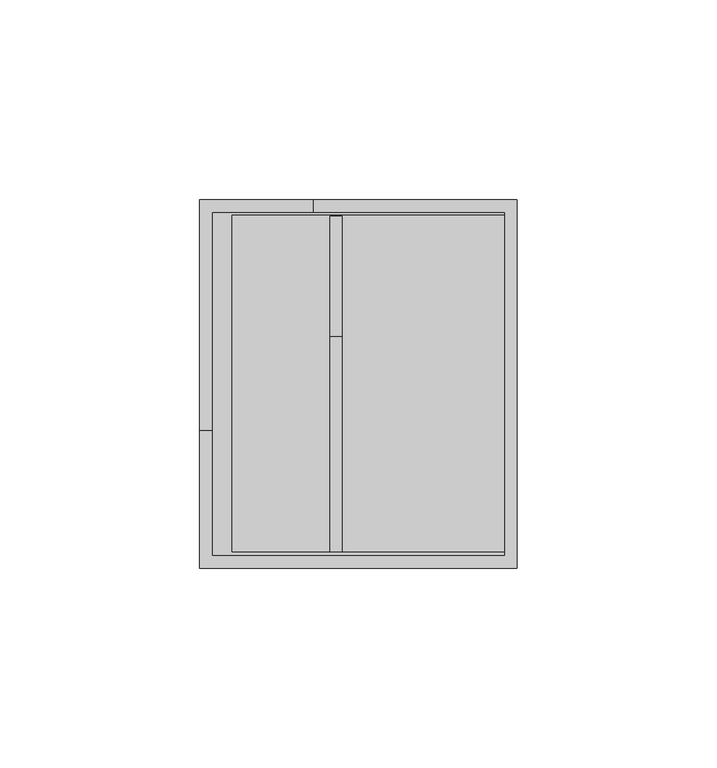
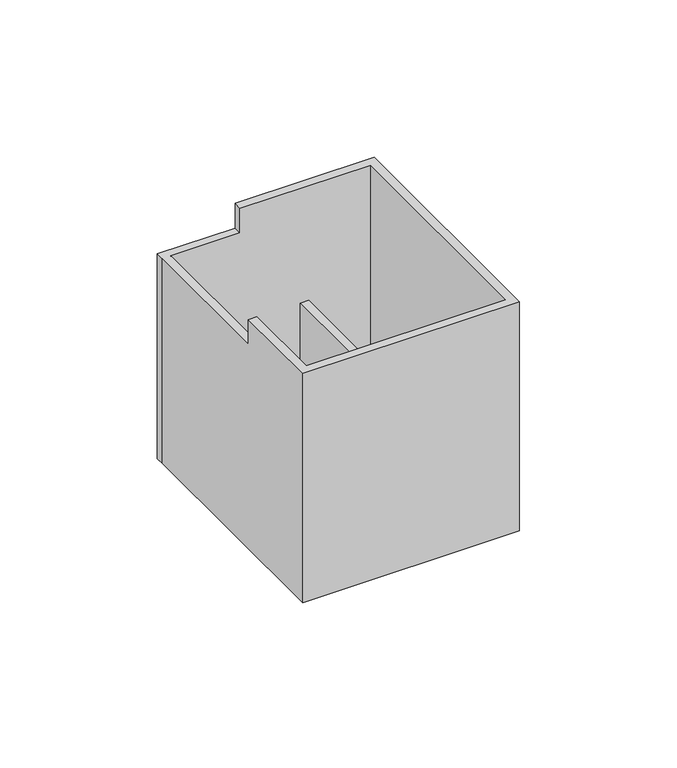
"""IFC4 building model written with IfcOpenShell, lengths in millimetres: furniture geometry."""

from ifc_helpers import new_model, si_unit, frame, origin, place, context, project, spatial, polyline, outline, extrude, faceted_brep, source, transform, mapped, element, save


def furniture_01647838(model_context):
    return source(origin(), model_context, "Body", "SolidModel", [
        extrude(outline(polyline([(75.5791077, 3.7972973), (3.7974426, 3.7972973), (3.7974426, 88.2776785), (75.5791077, 88.2776785), (75.5791077, 3.7972973)]), holes=[polyline([(5.4485046, 86.6266891), (5.4485046, 5.4482866), (73.9280457, 5.4482866), (73.9280457, 86.6266891), (5.4485046, 86.6266891)])]), frame((0.0, 0.0, 723.9), z_axis=(0.0, 0.0, 1.0), x_axis=(1.0, 0.0, 0.0)), (0.0, 0.0, 1.0), 3.0479971),
        extrude(outline(polyline([(76.3280148, 89.0269787), (76.3280148, 3.0479971), (3.0486511, 3.0479971), (3.0486511, 89.0269787), (76.3280148, 89.0269787)])), frame((0.0, 0.0, 726.9479971), z_axis=(0.0, 0.0, 1.0), x_axis=(1.0, 0.0, 0.0)), (0.0, 0.0, 1.0), 3.0480029),
        extrude(outline(polyline([(76.3280148, 4.0639961), (8.1290148, 4.0639961), (8.1290148, 88.2776785), (76.3280148, 88.2776785), (76.3280148, 4.0639961)])), frame((0.0, 0.0, 729.996), z_axis=(0.0, 0.0, 1.0), x_axis=(1.0, 0.0, 0.0)), (0.0, 0.0, 1.0), 3.0479913),
        extrude(outline(polyline([(4.064, 796.5439671), (57.8357866, 796.5439671), (57.8357866, 753.6688225), (88.011, 753.6688225), (88.011, 733.0439913), (4.064, 733.0439913), (4.064, 796.5439671)])), frame((32.5892148, 0.0, 0.0), z_axis=(1.0, 0.0, 0.0), x_axis=(0.0, 1.0, 0.0)), (0.0, 0.0, 1.0), 3.048),
        faceted_brep([(79.3765503, 0.0, 815.8480213), (79.3765503, 92.075, 815.8480213), (28.4494263, 92.075, 815.8480213), (28.4494263, 89.0269787, 815.8480213), (76.3280148, 89.0269787, 815.8480213), (76.3280148, 3.0479971, 815.8480213), (3.0486511, 3.0479971, 815.8480213), (3.0486511, 34.31542, 815.8480213), (0.0, 34.31542, 815.8480213), (0.0, 0.0, 815.8480213), (79.3765503, 0.0, 726.9479971), (0.0, 0.0, 726.9479971), (0.0, 89.027, 726.9479971), (0.0, 92.075, 726.9479971), (79.3765503, 92.075, 726.9479971), (76.3280148, 89.0269787, 726.9479971), (3.0490148, 89.027, 726.9479971), (3.0486511, 3.0479971, 726.9479971), (76.3280148, 3.0479971, 726.9479971), (0.0, 34.31542, 806.323), (0.0, 89.027, 806.323), (3.0486511, 34.31542, 806.323), (3.0486511, 89.027, 806.323), (28.4494263, 89.0269787, 806.323), (28.4494263, 92.075, 806.323), (0.0, 92.075, 806.323)], [[[0, 1, 2, 3, 4, 5, 6, 7, 8, 9]], [[10, 11, 12, 13, 14], [15, 16, 17, 18]], [[9, 11, 10, 0]], [[8, 19, 20, 12, 11, 9]], [[7, 21, 19, 8]], [[6, 17, 16, 22, 21, 7]], [[5, 18, 17, 6]], [[4, 15, 18, 5]], [[3, 23, 22, 16, 15, 4]], [[2, 24, 23, 3]], [[1, 14, 13, 25, 24, 2]], [[0, 10, 14, 1]], [[19, 21, 22, 23, 24, 25, 20]], [[25, 13, 12, 20]]]),
    ])


if __name__ == "__main__":
    model = new_model("IFC4")
    model_context = context("Model", 3, world=origin())
    ifc_project = project(units=[si_unit("LENGTHUNIT", "METRE", prefix="MILLI")], contexts=[model_context])
    site = spatial("IfcSite", under=ifc_project)
    building = spatial("IfcBuilding", under=site)
    placement = place(None, origin())
    furniture_shape = furniture_01647838(model_context)
    element("IfcFurniture", 1, at=placement, inside=building, context=model_context, shape_type="MappedRepresentation", body=[
        mapped(furniture_shape, transform((0.0, 0.0, 0.0), x_axis=(1.0, 0.0, 0.0), y_axis=(0.0, 1.0, 0.0), z_axis=(0.0, 0.0, 1.0))),
    ])
    save(model, "model.ifc")
